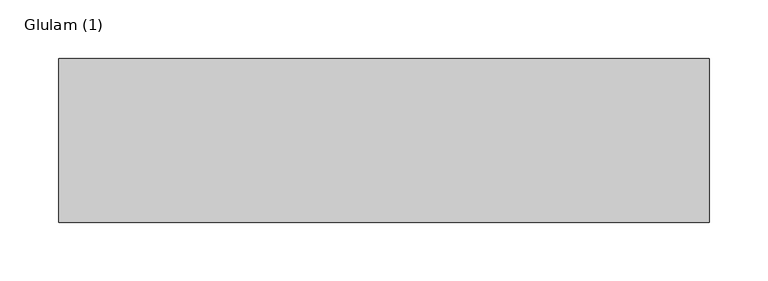
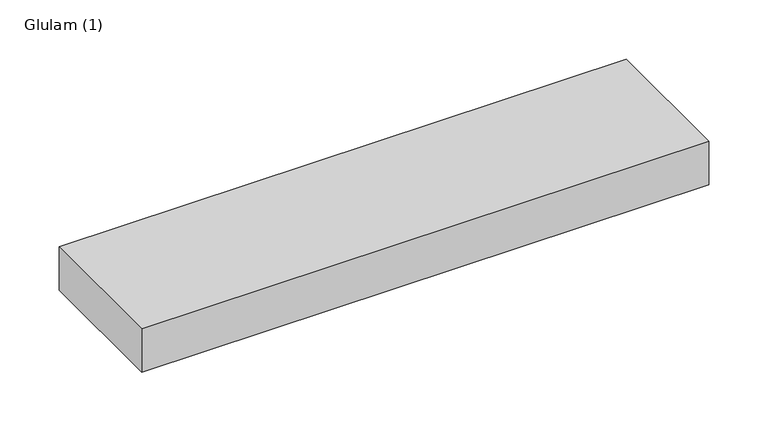
"""IFC4 building model written with IfcOpenShell, lengths in millimetres: beam geometry, Glulam (1)."""

import ifcopenshell
import ifcopenshell.guid

model = None  # the IFC model being written
_history = None  # IfcOwnerHistory: only IFC2X3 demands one
_inside = {}  # id of a spatial element -> (the spatial element, [elements in it])
_under = {}  # id of a project, library or spatial element -> (it, [spatial elements below it])
_declared = {}  # id of a project -> (the project, [libraries it declares])
_typed = {}  # id of a type object -> (the type object, [elements of that type])
_made_of = {}  # id of a material, layer set ... -> (it, [elements and type objects made of it])


def new_model(schema):
    """Start an empty IFC model of exactly this schema.

    Asked for "IFC4X3", IfcOpenShell would pick the latest addendum, in which some entities
    have other attributes; the version numbers below select the first issue.
    IFC2X3 requires an IfcOwnerHistory on every rooted entity: one is made here for all.
    """
    global model, _history
    if schema == "IFC4X3":
        model = ifcopenshell.file(schema_version=(4, 3, 0, 0))
    else:
        model = ifcopenshell.file(schema=schema)
    _inside.clear()
    _under.clear()
    _declared.clear()
    _typed.clear()
    _made_of.clear()
    _history = None
    if model.schema == "IFC2X3":
        org = make("IfcOrganization", Name="unknown")
        user = make(
            "IfcPersonAndOrganization",
            ThePerson=make("IfcPerson", FamilyName="unknown"),
            TheOrganization=org,
        )
        app = make(
            "IfcApplication",
            ApplicationDeveloper=org,
            Version="unknown",
            ApplicationFullName="unknown",
            ApplicationIdentifier="unknown",
        )
        _history = make(
            "IfcOwnerHistory",
            OwningUser=user,
            OwningApplication=app,
            ChangeAction="ADDED",
            CreationDate=0,
        )
    return model


def make(cls, **values):
    """One entity of the class cls with the attributes given. An attribute that is None is left unset."""
    return model.create_entity(
        cls, **{name: value for name, value in values.items() if value is not None}
    )


def rooted(cls, **values):
    """An entity with a GlobalId (a new one), such as an element, a storey or a relation."""
    return make(cls, GlobalId=ifcopenshell.guid.new(), OwnerHistory=_history, **values)


def si_unit(unit_type, name, prefix=None):
    """IfcSIUnit, for example si_unit("LENGTHUNIT", "METRE", prefix="MILLI")."""
    return make("IfcSIUnit", UnitType=unit_type, Prefix=prefix, Name=name)


def assignment(units):
    """IfcUnitAssignment: the units of a project."""
    return None if units is None else make("IfcUnitAssignment", Units=units)


def point(xyz):
    """IfcCartesianPoint."""
    return None if xyz is None else make("IfcCartesianPoint", Coordinates=xyz)


def direction(xyz):
    """IfcDirection."""
    return None if xyz is None else make("IfcDirection", DirectionRatios=xyz)


def frame(location, z_axis=None, x_axis=None):
    """IfcAxis2Placement3D, a coordinate frame: its origin and axes. An axis left out is left unset."""
    return make(
        "IfcAxis2Placement3D",
        Location=point(location),
        Axis=direction(z_axis),
        RefDirection=direction(x_axis),
    )


def origin():
    """The frame at (0, 0, 0) with its axes left unset."""
    return frame((0.0, 0.0, 0.0))


def place(relative_to, where):
    """IfcLocalPlacement: puts the frame where relative to a parent placement (None: the world)."""
    return make(
        "IfcLocalPlacement", PlacementRelTo=relative_to, RelativePlacement=where
    )


def context(
    kind, dimensions, precision=None, world=None, true_north=None, identifier=None
):
    """IfcGeometricRepresentationContext, for example the 3D "Model" context."""
    return make(
        "IfcGeometricRepresentationContext",
        ContextIdentifier=identifier,
        ContextType=kind,
        CoordinateSpaceDimension=dimensions,
        Precision=precision,
        WorldCoordinateSystem=world,
        TrueNorth=true_north,
    )


def project(units=None, contexts=None):
    """IfcProject with its units and contexts."""
    return rooted(
        "IfcProject",
        Name="project",
        RepresentationContexts=contexts,
        UnitsInContext=assignment(units),
    )


def spatial(cls, under=None, at=None, **own):
    """A site, building, storey or space (cls), placed at a placement, below another one or the project."""
    s = rooted(cls, ObjectPlacement=at, **own)
    if under is not None:
        _under.setdefault(under.id(), (under, []))[1].append(s)
    return s


def polyline(points):
    """IfcPolyline through the points."""
    return make("IfcPolyline", Points=[point(p) for p in points])


def outline(outer, holes=None, kind="AREA"):
    """IfcArbitraryClosedProfileDef: a profile drawn as a closed curve; with holes, ...WithVoids."""
    if holes is None:
        return make("IfcArbitraryClosedProfileDef", ProfileType=kind, OuterCurve=outer)
    return make(
        "IfcArbitraryProfileDefWithVoids",
        ProfileType=kind,
        OuterCurve=outer,
        InnerCurves=holes,
    )


def extrude(swept, where, along, depth):
    """IfcExtrudedAreaSolid: the profile swept, set in the frame where, extruded along a direction by depth."""
    return make(
        "IfcExtrudedAreaSolid",
        SweptArea=swept,
        Position=where,
        ExtrudedDirection=direction(along),
        Depth=depth,
    )


def shape(context_of_items, identifier, shape_type, items):
    """IfcShapeRepresentation: the items that make up one representation, for example the "Body"."""
    return make(
        "IfcShapeRepresentation",
        ContextOfItems=context_of_items,
        RepresentationIdentifier=identifier,
        RepresentationType=shape_type,
        Items=items,
    )


def source(mapping_origin, context_of_items, identifier, shape_type, items):
    """IfcRepresentationMap: a shape defined once, which mapped items show again and again."""
    return make(
        "IfcRepresentationMap",
        MappingOrigin=mapping_origin,
        MappedRepresentation=shape(context_of_items, identifier, shape_type, items),
    )


def transform(
    local_origin,
    x_axis=None,
    y_axis=None,
    z_axis=None,
    scale=None,
    scale2=None,
    scale3=None,
    uniform=True,
):
    """IfcCartesianTransformationOperator3D, or its non-uniform kind. x_axis, y_axis, z_axis: its Axis1, 2, 3."""
    if uniform:
        return make(
            "IfcCartesianTransformationOperator3D",
            Axis1=direction(x_axis),
            Axis2=direction(y_axis),
            LocalOrigin=point(local_origin),
            Scale=scale,
            Axis3=direction(z_axis),
        )
    return make(
        "IfcCartesianTransformationOperator3DnonUniform",
        Axis1=direction(x_axis),
        Axis2=direction(y_axis),
        LocalOrigin=point(local_origin),
        Scale=scale,
        Axis3=direction(z_axis),
        Scale2=scale2,
        Scale3=scale3,
    )


def mapped(mapping_source, mapping_target):
    """IfcMappedItem: shows the shape of a source again, moved by a transform."""
    return make(
        "IfcMappedItem", MappingSource=mapping_source, MappingTarget=mapping_target
    )


def made_of(thing, what):
    """Note that an element or type object is made of a material, layer set ...; save() writes the relation."""
    if what is not None:
        _made_of.setdefault(what.id(), (what, []))[1].append(thing)
    return thing


def element(
    cls,
    number,
    at=None,
    inside=None,
    cuts=None,
    type_object=None,
    material=None,
    context=None,
    identifier="Body",
    shape_type=None,
    held_by="IfcProductDefinitionShape",
    body=None,
    shapes=None,
    **own,
):
    """One element of the class cls, such as IfcWall. Its Tag is "e" and its number.

    at: its placement. inside: the storey or other place that contains it. cuts: it is an
    opening in that element (IfcRelVoidsElement). A single representation is given by context,
    identifier, shape_type and body (its items); several are given by shapes. held_by: the class
    of the entity that holds the representations. save() writes the other relations.
    """
    e = rooted(cls, Tag="e%d" % number, ObjectPlacement=at, **own)
    if body is not None:
        shapes = [shape(context, identifier, shape_type, body)]
    if shapes is not None:
        e.Representation = make(held_by, Representations=shapes)
    if inside is not None:
        _inside.setdefault(inside.id(), (inside, []))[1].append(e)
    if cuts is not None:
        rooted(
            "IfcRelVoidsElement", RelatingBuildingElement=cuts, RelatedOpeningElement=e
        )
    if type_object is not None:
        _typed.setdefault(type_object.id(), (type_object, []))[1].append(e)
    return made_of(e, material)


def aggregate(whole, parts):
    """IfcRelAggregates: a whole, such as a stair, and the parts it consists of."""
    return rooted("IfcRelAggregates", RelatingObject=whole, RelatedObjects=parts)


def save(model, path):
    """Write the relations noted so far, then the file.

    IfcRelAggregates (storeys below a building ...), IfcRelContainedInSpatialStructure (elements
    in a storey), IfcRelDefinesByType, IfcRelAssociatesMaterial and IfcRelDeclares: one each for
    every whole, place, type object, material and project.
    """
    for whole, parts in _under.values():
        aggregate(whole, parts)
    for where, things in _inside.values():
        rooted(
            "IfcRelContainedInSpatialStructure",
            RelatedElements=things,
            RelatingStructure=where,
        )
    for kind, things in _typed.values():
        rooted("IfcRelDefinesByType", RelatedObjects=things, RelatingType=kind)
    for what, things in _made_of.values():
        rooted("IfcRelAssociatesMaterial", RelatedObjects=things, RelatingMaterial=what)
    for by, libraries in _declared.values():
        rooted("IfcRelDeclares", RelatingContext=by, RelatedDefinitions=libraries)
    model.write(path)


def glulam_1_9e8974bf(model_context):
    return source(origin(), model_context, "Body", "SweptSolid", [
        extrude(outline(polyline([(277.0, 70.0), (277.0, -70.0), (-278.0, -70.0), (-278.0, 70.0), (277.0, 70.0)])), frame((0.0, 0.0, -22.5), z_axis=(0.0, 0.0, 1.0), x_axis=(1.0, 0.0, 0.0)), (0.0, 0.0, 1.0), 45.0),
    ])


if __name__ == "__main__":
    model = new_model("IFC4")
    model_context = context("Model", 3, world=origin())
    ifc_project = project(units=[si_unit("LENGTHUNIT", "METRE", prefix="MILLI")], contexts=[model_context])
    site = spatial("IfcSite", under=ifc_project)
    building = spatial("IfcBuilding", under=site)
    placement = place(None, origin())
    glulam_1_shape = glulam_1_9e8974bf(model_context)
    element("IfcBeam", 1, ObjectType="Glulam (1)", at=placement, inside=building, context=model_context, shape_type="MappedRepresentation", body=[
        mapped(glulam_1_shape, transform((0.0, 0.0, 0.0), x_axis=(1.0, 0.0, 0.0), y_axis=(0.0, 1.0, 0.0), z_axis=(0.0, 0.0, 1.0))),
    ])
    save(model, "model.ifc")
